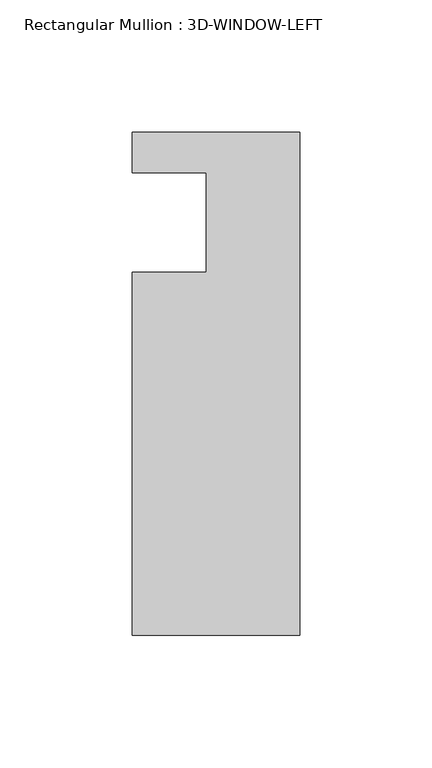
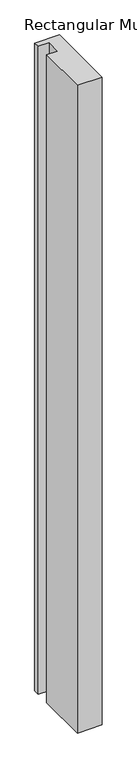
"""IFC4 building model written with IfcOpenShell, lengths in millimetres: member geometry, Rectangular Mullion : 3D-WINDOW-LEFT."""

from ifc_helpers import new_model, si_unit, frame, origin, place, context, project, spatial, polyline, outline, extrude, source, transform, mapped, element, save


def rectangular_mullion_3d_window_left_0bf096c0(model_context):
    return source(origin(), model_context, "Body", "SweptSolid", [
        extrude(outline(polyline([(-31.75, -93.2656225), (-31.75, 44.1483725), (-3.6624033, 44.1483725), (-3.6624033, 81.8673727), (-31.75, 81.8673727), (-31.75, 97.2343725), (31.75, 97.2343725), (31.75, -93.2656225), (-31.75, -93.2656225)])), frame((0.0, 0.0, -1765.3), z_axis=(0.0, 0.0, 1.0), x_axis=(1.0, 0.0, 0.0)), (0.0, 0.0, 1.0), 1765.3),
    ])


if __name__ == "__main__":
    model = new_model("IFC4")
    model_context = context("Model", 3, world=origin())
    ifc_project = project(units=[si_unit("LENGTHUNIT", "METRE", prefix="MILLI")], contexts=[model_context])
    site = spatial("IfcSite", under=ifc_project)
    building = spatial("IfcBuilding", under=site)
    placement = place(None, origin())
    rectangular_mullion_3d_window_left_shape = rectangular_mullion_3d_window_left_0bf096c0(model_context)
    element("IfcMember", 1, ObjectType="Rectangular Mullion : 3D-WINDOW-LEFT", at=placement, inside=building, context=model_context, shape_type="MappedRepresentation", body=[
        mapped(rectangular_mullion_3d_window_left_shape, transform((0.0, 0.0, 0.0), x_axis=(1.0, 0.0, 0.0), y_axis=(0.0, 1.0, 0.0), z_axis=(0.0, 0.0, 1.0))),
    ])
    save(model, "model.ifc")
